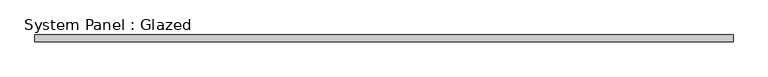
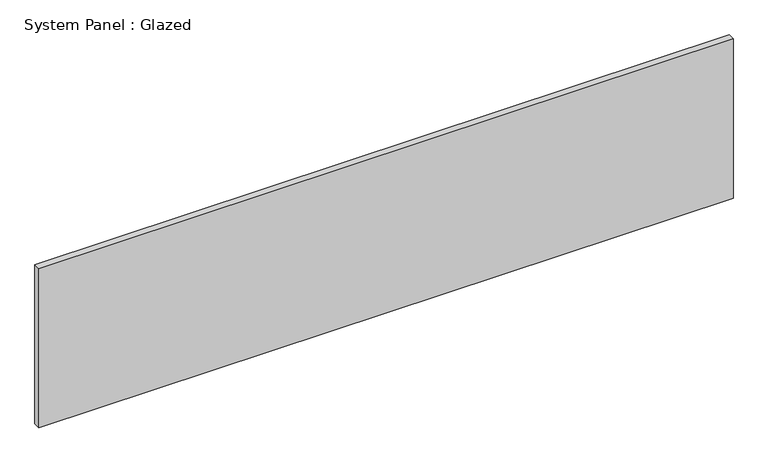
"""IFC4 building model written with IfcOpenShell, lengths in millimetres: plate geometry, System Panel : Glazed."""

from ifc_helpers import new_model, si_unit, origin, origin_with_axes, place, context, project, spatial, polyline, outline, extrude, source, transform, mapped, element, save


def system_panel_glazed_17d89b6b(model_context):
    return source(origin(), model_context, "Body", "SweptSolid", [
        extrude(outline(polyline([(1257.3, 19.05), (-1257.3, 19.05), (-1257.3, 44.45), (1257.3, 44.45), (1257.3, 19.05)])), origin_with_axes(), (0.0, 0.0, 1.0), 609.6),
    ])


if __name__ == "__main__":
    model = new_model("IFC4")
    model_context = context("Model", 3, world=origin())
    ifc_project = project(units=[si_unit("LENGTHUNIT", "METRE", prefix="MILLI")], contexts=[model_context])
    site = spatial("IfcSite", under=ifc_project)
    building = spatial("IfcBuilding", under=site)
    placement = place(None, origin())
    system_panel_glazed_shape = system_panel_glazed_17d89b6b(model_context)
    element("IfcPlate", 1, ObjectType="System Panel : Glazed", at=placement, inside=building, context=model_context, shape_type="MappedRepresentation", body=[
        mapped(system_panel_glazed_shape, transform((0.0, 0.0, 0.0), x_axis=(1.0, 0.0, 0.0), y_axis=(0.0, 1.0, 0.0), z_axis=(0.0, 0.0, 1.0))),
    ])
    save(model, "model.ifc")
